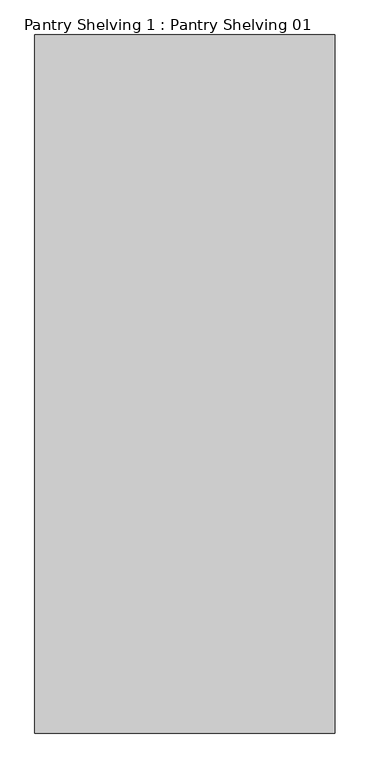
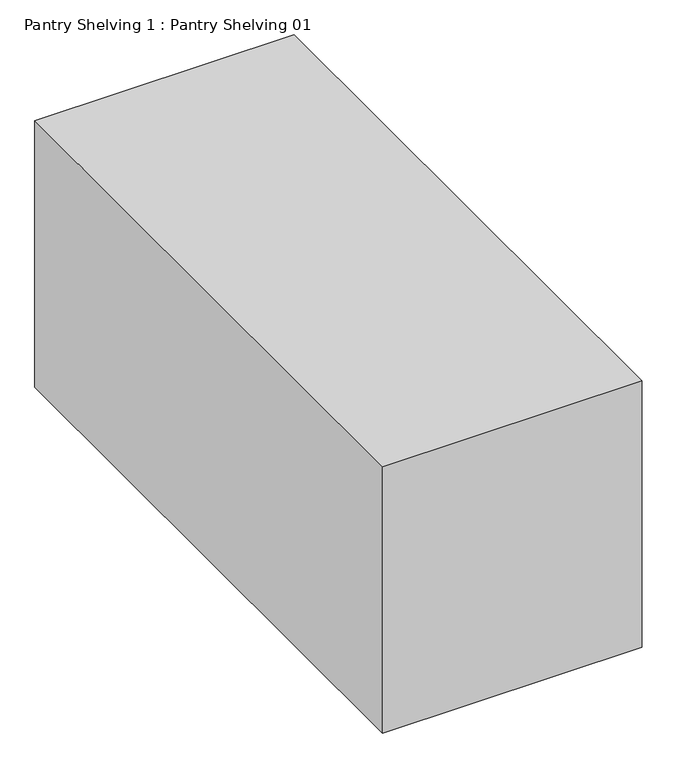
"""IFC4 building model written with IfcOpenShell, lengths in millimetres: furniture geometry, Pantry Shelving 1 : Pantry Shelving 01."""

from ifc_helpers import new_model, si_unit, frame, origin, place, context, project, spatial, polyline, outline, extrude, source, transform, mapped, element, save


def pantry_shelving_1_pantry_shelving_01_e688e394(model_context):
    return source(origin(), model_context, "Body", "SweptSolid", [
        extrude(outline(polyline([(92184.4520108, -33060.3382936), (92184.4520108, -31220.3382936), (92976.2250932, -31220.3382936), (92976.2250932, -33060.3382936), (92184.4520108, -33060.3382936)])), frame((0.0, 0.0, 68140.0), z_axis=(0.0, 0.0, 1.0), x_axis=(1.0, 0.0, 0.0)), (0.0, 0.0, 1.0), 860.0),
    ])


if __name__ == "__main__":
    model = new_model("IFC4")
    model_context = context("Model", 3, world=origin())
    ifc_project = project(units=[si_unit("LENGTHUNIT", "METRE", prefix="MILLI")], contexts=[model_context])
    site = spatial("IfcSite", under=ifc_project)
    building = spatial("IfcBuilding", under=site)
    placement = place(None, origin())
    pantry_shelving_1_pantry_shelving_01_shape = pantry_shelving_1_pantry_shelving_01_e688e394(model_context)
    element("IfcFurniture", 1, ObjectType="Pantry Shelving 1 : Pantry Shelving 01", at=placement, inside=building, context=model_context, shape_type="MappedRepresentation", body=[
        mapped(pantry_shelving_1_pantry_shelving_01_shape, transform((0.0, 0.0, 0.0), x_axis=(1.0, 0.0, 0.0), y_axis=(0.0, 1.0, 0.0), z_axis=(0.0, 0.0, 1.0))),
    ])
    save(model, "model.ifc")
